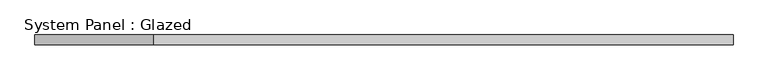
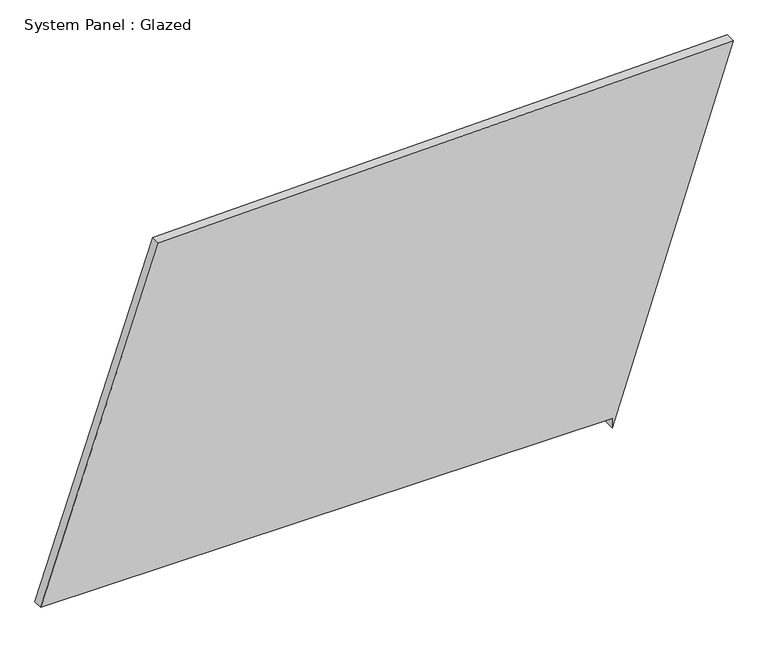
"""IFC4 building model written with IfcOpenShell, lengths in millimetres: plate geometry, System Panel : Glazed."""

from ifc_helpers import new_model, si_unit, frame, origin, place, context, project, spatial, polyline, outline, extrude, source, transform, mapped, element, save


def system_panel_glazed_c758be9e(model_context):
    return source(origin(), model_context, "Body", "SweptSolid", [
        extrude(outline(polyline([(25.0, 573.3872904), (0.0, 573.3872904), (934.7379141, 881.1886137), (901.0937981, -581.2004992), (25.0, -881.1886137), (25.0, 573.3872904)])), frame((0.0, -49.5, 0.0), z_axis=(0.0, 1.0, 0.0), x_axis=(0.0, 0.0, 1.0)), (0.0, 0.0, 1.0), 25.0),
    ])


if __name__ == "__main__":
    model = new_model("IFC4")
    model_context = context("Model", 3, world=origin())
    ifc_project = project(units=[si_unit("LENGTHUNIT", "METRE", prefix="MILLI")], contexts=[model_context])
    site = spatial("IfcSite", under=ifc_project)
    building = spatial("IfcBuilding", under=site)
    placement = place(None, origin())
    system_panel_glazed_shape = system_panel_glazed_c758be9e(model_context)
    element("IfcPlate", 1, ObjectType="System Panel : Glazed", at=placement, inside=building, context=model_context, shape_type="MappedRepresentation", body=[
        mapped(system_panel_glazed_shape, transform((0.0, 0.0, 0.0), x_axis=(1.0, 0.0, 0.0), y_axis=(0.0, 1.0, 0.0), z_axis=(0.0, 0.0, 1.0))),
    ])
    save(model, "model.ifc")
